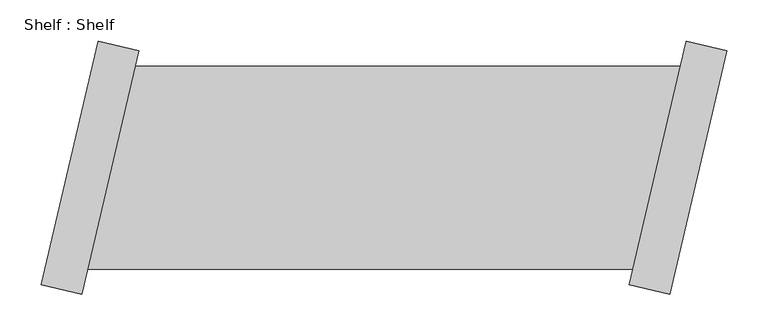
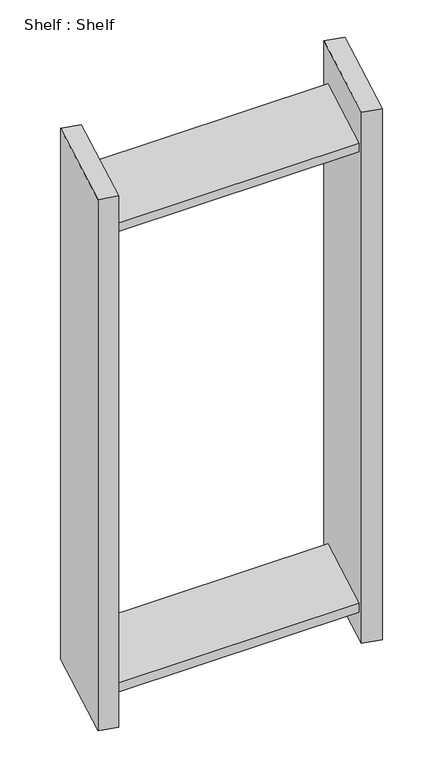
"""IFC4 building model written with IfcOpenShell, lengths in millimetres: proxy geometry, Shelf : Shelf."""

from ifc_helpers import new_model, si_unit, origin, place, context, project, spatial, faceted_brep, source, transform, mapped, element, save


def shelf_shelf_6357b61e(model_context):
    return source(origin(), model_context, "Body", "Brep", [
        faceted_brep([(-392.9642125, 123.6526637, 1422.4), (-392.9642125, 123.6526637, 1397.0), (-1056.8858303, 123.6526637, 1397.0), (-1056.8858303, 123.6526637, 1422.4), (-450.8958534, -123.6526637, 1397.0), (-1114.8174713, -123.6526637, 1397.0), (-450.8958534, -123.6526637, 1422.4), (-1114.8174713, -123.6526637, 1422.4), (-336.3529256, 142.5900324, 0.0), (-405.8708947, -154.1763606, 0.0), (-455.3319602, -142.5900324, 0.0), (-385.8139911, 154.1763606, 0.0), (-405.8708947, -154.1763606, 1524.0), (-455.3319602, -142.5900324, 1524.0), (-336.3529256, 142.5900324, 1524.0), (-385.8139911, 154.1763606, 1524.0), (-450.8958534, -123.6526637, 76.2), (-392.9642125, 123.6526637, 76.2), (-392.9642125, 123.6526637, 101.6), (-450.8958534, -123.6526637, 101.6), (-1114.8174713, -123.6526637, 76.2), (-1056.8858303, 123.6526637, 76.2), (-1114.8174713, -123.6526637, 101.6), (-1056.8858303, 123.6526637, 101.6), (-1171.4287582, -142.5900324, 0.0), (-1101.910789, 154.1763606, 0.0), (-1052.4497235, 142.5900324, 0.0), (-1121.9676927, -154.1763606, 0.0), (-1121.9676927, -154.1763606, 1524.0), (-1171.4287582, -142.5900324, 1524.0), (-1052.4497235, 142.5900324, 1524.0), (-1101.910789, 154.1763606, 1524.0)], [[[0, 1, 2, 3]], [[1, 4, 5, 2]], [[4, 6, 7, 5]], [[6, 0, 3, 7]], [[8, 9, 10, 11]], [[10, 9, 12, 13]], [[13, 12, 14, 15]], [[8, 11, 15, 14]], [[11, 10, 13, 15], [1, 0, 6, 4], [16, 17, 18, 19]], [[9, 8, 14, 12]], [[17, 16, 20, 21]], [[16, 19, 22, 20]], [[19, 18, 23, 22]], [[18, 17, 21, 23]], [[24, 25, 26, 27]], [[24, 27, 28, 29]], [[29, 28, 30, 31]], [[26, 25, 31, 30]], [[27, 26, 30, 28], [3, 2, 5, 7], [21, 20, 22, 23]], [[25, 24, 29, 31]]]),
    ])


if __name__ == "__main__":
    model = new_model("IFC4")
    model_context = context("Model", 3, world=origin())
    ifc_project = project(units=[si_unit("LENGTHUNIT", "METRE", prefix="MILLI")], contexts=[model_context])
    site = spatial("IfcSite", under=ifc_project)
    building = spatial("IfcBuilding", under=site)
    placement = place(None, origin())
    shelf_shelf_shape = shelf_shelf_6357b61e(model_context)
    element("IfcBuildingElementProxy", 1, Name="Shelf : Shelf", ObjectType="Shelf : Shelf", at=placement, inside=building, context=model_context, shape_type="MappedRepresentation", body=[
        mapped(shelf_shelf_shape, transform((0.0, 0.0, 0.0), x_axis=(1.0, 0.0, 0.0), y_axis=(0.0, 1.0, 0.0), z_axis=(0.0, 0.0, 1.0))),
    ])
    save(model, "model.ifc")
